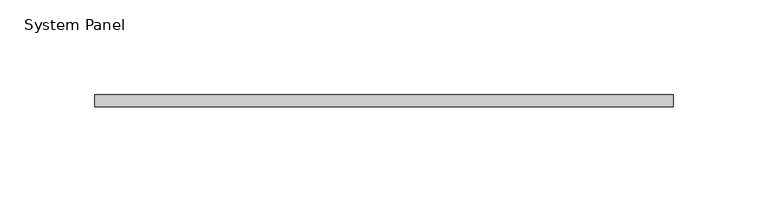
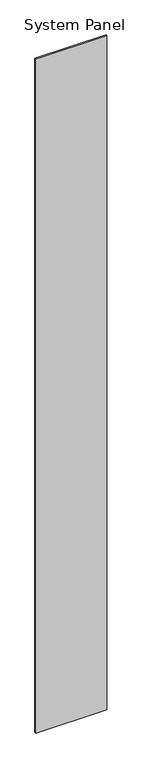
"""IFC4 building model written with IfcOpenShell, lengths in millimetres: plate geometry, System Panel."""

from ifc_helpers import new_model, si_unit, origin, origin_with_axes, place, context, project, spatial, polyline, outline, extrude, source, transform, mapped, element, save


def system_panel_826f8766(model_context):
    return source(origin(), model_context, "Body", "SweptSolid", [
        extrude(outline(polyline([(152.4, -6.35), (-152.4, -6.35), (-152.4, 0.0), (152.4, 0.0), (152.4, -6.35)])), origin_with_axes(), (0.0, 0.0, 1.0), 3048.0),
    ])


if __name__ == "__main__":
    model = new_model("IFC4")
    model_context = context("Model", 3, world=origin())
    ifc_project = project(units=[si_unit("LENGTHUNIT", "METRE", prefix="MILLI")], contexts=[model_context])
    site = spatial("IfcSite", under=ifc_project)
    building = spatial("IfcBuilding", under=site)
    placement = place(None, origin())
    system_panel_shape = system_panel_826f8766(model_context)
    element("IfcPlate", 1, ObjectType="System Panel", at=placement, inside=building, context=model_context, shape_type="MappedRepresentation", body=[
        mapped(system_panel_shape, transform((0.0, 0.0, 0.0), x_axis=(1.0, 0.0, 0.0), y_axis=(0.0, 1.0, 0.0), z_axis=(0.0, 0.0, 1.0))),
    ])
    save(model, "model.ifc")
